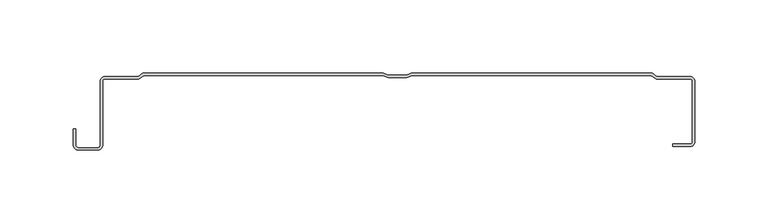
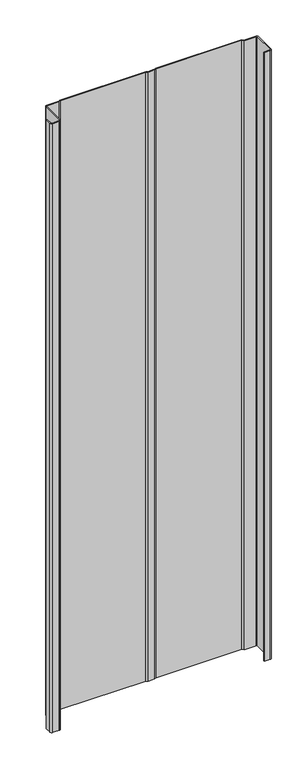
"""IFC4 building model written with IfcOpenShell, lengths in millimetres: plate geometry."""

import ifcopenshell
import ifcopenshell.guid

model = None  # the IFC model being written
_history = None  # IfcOwnerHistory: only IFC2X3 demands one
_inside = {}  # id of a spatial element -> (the spatial element, [elements in it])
_under = {}  # id of a project, library or spatial element -> (it, [spatial elements below it])
_declared = {}  # id of a project -> (the project, [libraries it declares])
_typed = {}  # id of a type object -> (the type object, [elements of that type])
_made_of = {}  # id of a material, layer set ... -> (it, [elements and type objects made of it])


def new_model(schema):
    """Start an empty IFC model of exactly this schema.

    Asked for "IFC4X3", IfcOpenShell would pick the latest addendum, in which some entities
    have other attributes; the version numbers below select the first issue.
    IFC2X3 requires an IfcOwnerHistory on every rooted entity: one is made here for all.
    """
    global model, _history
    if schema == "IFC4X3":
        model = ifcopenshell.file(schema_version=(4, 3, 0, 0))
    else:
        model = ifcopenshell.file(schema=schema)
    _inside.clear()
    _under.clear()
    _declared.clear()
    _typed.clear()
    _made_of.clear()
    _history = None
    if model.schema == "IFC2X3":
        org = make("IfcOrganization", Name="unknown")
        user = make(
            "IfcPersonAndOrganization",
            ThePerson=make("IfcPerson", FamilyName="unknown"),
            TheOrganization=org,
        )
        app = make(
            "IfcApplication",
            ApplicationDeveloper=org,
            Version="unknown",
            ApplicationFullName="unknown",
            ApplicationIdentifier="unknown",
        )
        _history = make(
            "IfcOwnerHistory",
            OwningUser=user,
            OwningApplication=app,
            ChangeAction="ADDED",
            CreationDate=0,
        )
    return model


def make(cls, **values):
    """One entity of the class cls with the attributes given. An attribute that is None is left unset."""
    return model.create_entity(
        cls, **{name: value for name, value in values.items() if value is not None}
    )


def rooted(cls, **values):
    """An entity with a GlobalId (a new one), such as an element, a storey or a relation."""
    return make(cls, GlobalId=ifcopenshell.guid.new(), OwnerHistory=_history, **values)


def si_unit(unit_type, name, prefix=None):
    """IfcSIUnit, for example si_unit("LENGTHUNIT", "METRE", prefix="MILLI")."""
    return make("IfcSIUnit", UnitType=unit_type, Prefix=prefix, Name=name)


def assignment(units):
    """IfcUnitAssignment: the units of a project."""
    return None if units is None else make("IfcUnitAssignment", Units=units)


def point(xyz):
    """IfcCartesianPoint."""
    return None if xyz is None else make("IfcCartesianPoint", Coordinates=xyz)


def direction(xyz):
    """IfcDirection."""
    return None if xyz is None else make("IfcDirection", DirectionRatios=xyz)


def frame(location, z_axis=None, x_axis=None):
    """IfcAxis2Placement3D, a coordinate frame: its origin and axes. An axis left out is left unset."""
    return make(
        "IfcAxis2Placement3D",
        Location=point(location),
        Axis=direction(z_axis),
        RefDirection=direction(x_axis),
    )


def frame_2d(location, x_axis=None):
    """IfcAxis2Placement2D, a coordinate frame in the plane: its origin and x axis."""
    return make(
        "IfcAxis2Placement2D", Location=point(location), RefDirection=direction(x_axis)
    )


def origin():
    """The frame at (0, 0, 0) with its axes left unset."""
    return frame((0.0, 0.0, 0.0))


def origin_with_axes():
    """The frame at (0, 0, 0) with the z axis (0, 0, 1) and the x axis (1, 0, 0) written out."""
    return frame((0.0, 0.0, 0.0), z_axis=(0.0, 0.0, 1.0), x_axis=(1.0, 0.0, 0.0))


def place(relative_to, where):
    """IfcLocalPlacement: puts the frame where relative to a parent placement (None: the world)."""
    return make(
        "IfcLocalPlacement", PlacementRelTo=relative_to, RelativePlacement=where
    )


def context(
    kind, dimensions, precision=None, world=None, true_north=None, identifier=None
):
    """IfcGeometricRepresentationContext, for example the 3D "Model" context."""
    return make(
        "IfcGeometricRepresentationContext",
        ContextIdentifier=identifier,
        ContextType=kind,
        CoordinateSpaceDimension=dimensions,
        Precision=precision,
        WorldCoordinateSystem=world,
        TrueNorth=true_north,
    )


def project(units=None, contexts=None):
    """IfcProject with its units and contexts."""
    return rooted(
        "IfcProject",
        Name="project",
        RepresentationContexts=contexts,
        UnitsInContext=assignment(units),
    )


def spatial(cls, under=None, at=None, **own):
    """A site, building, storey or space (cls), placed at a placement, below another one or the project."""
    s = rooted(cls, ObjectPlacement=at, **own)
    if under is not None:
        _under.setdefault(under.id(), (under, []))[1].append(s)
    return s


def polyline(points):
    """IfcPolyline through the points."""
    return make("IfcPolyline", Points=[point(p) for p in points])


def circle_curve(where, radius):
    """IfcCircle in the frame where."""
    return make("IfcCircle", Position=where, Radius=radius)


def trimmed(basis, trim1, trim2, sense, master):
    """IfcTrimmedCurve: the piece of a basis curve between two trims."""
    return make(
        "IfcTrimmedCurve",
        BasisCurve=basis,
        Trim1=trim1,
        Trim2=trim2,
        SenseAgreement=sense,
        MasterRepresentation=master,
    )


def segment(curve, same_sense, transition):
    """IfcCompositeCurveSegment."""
    return make(
        "IfcCompositeCurveSegment",
        Transition=transition,
        SameSense=same_sense,
        ParentCurve=curve,
    )


def composite_curve(segments, self_intersect=None):
    """IfcCompositeCurve: segments joined end to end."""
    return make("IfcCompositeCurve", Segments=segments, SelfIntersect=self_intersect)


def outline(outer, holes=None, kind="AREA"):
    """IfcArbitraryClosedProfileDef: a profile drawn as a closed curve; with holes, ...WithVoids."""
    if holes is None:
        return make("IfcArbitraryClosedProfileDef", ProfileType=kind, OuterCurve=outer)
    return make(
        "IfcArbitraryProfileDefWithVoids",
        ProfileType=kind,
        OuterCurve=outer,
        InnerCurves=holes,
    )


def extrude(swept, where, along, depth):
    """IfcExtrudedAreaSolid: the profile swept, set in the frame where, extruded along a direction by depth."""
    return make(
        "IfcExtrudedAreaSolid",
        SweptArea=swept,
        Position=where,
        ExtrudedDirection=direction(along),
        Depth=depth,
    )


def shape(context_of_items, identifier, shape_type, items):
    """IfcShapeRepresentation: the items that make up one representation, for example the "Body"."""
    return make(
        "IfcShapeRepresentation",
        ContextOfItems=context_of_items,
        RepresentationIdentifier=identifier,
        RepresentationType=shape_type,
        Items=items,
    )


def source(mapping_origin, context_of_items, identifier, shape_type, items):
    """IfcRepresentationMap: a shape defined once, which mapped items show again and again."""
    return make(
        "IfcRepresentationMap",
        MappingOrigin=mapping_origin,
        MappedRepresentation=shape(context_of_items, identifier, shape_type, items),
    )


def transform(
    local_origin,
    x_axis=None,
    y_axis=None,
    z_axis=None,
    scale=None,
    scale2=None,
    scale3=None,
    uniform=True,
):
    """IfcCartesianTransformationOperator3D, or its non-uniform kind. x_axis, y_axis, z_axis: its Axis1, 2, 3."""
    if uniform:
        return make(
            "IfcCartesianTransformationOperator3D",
            Axis1=direction(x_axis),
            Axis2=direction(y_axis),
            LocalOrigin=point(local_origin),
            Scale=scale,
            Axis3=direction(z_axis),
        )
    return make(
        "IfcCartesianTransformationOperator3DnonUniform",
        Axis1=direction(x_axis),
        Axis2=direction(y_axis),
        LocalOrigin=point(local_origin),
        Scale=scale,
        Axis3=direction(z_axis),
        Scale2=scale2,
        Scale3=scale3,
    )


def mapped(mapping_source, mapping_target):
    """IfcMappedItem: shows the shape of a source again, moved by a transform."""
    return make(
        "IfcMappedItem", MappingSource=mapping_source, MappingTarget=mapping_target
    )


def made_of(thing, what):
    """Note that an element or type object is made of a material, layer set ...; save() writes the relation."""
    if what is not None:
        _made_of.setdefault(what.id(), (what, []))[1].append(thing)
    return thing


def element(
    cls,
    number,
    at=None,
    inside=None,
    cuts=None,
    type_object=None,
    material=None,
    context=None,
    identifier="Body",
    shape_type=None,
    held_by="IfcProductDefinitionShape",
    body=None,
    shapes=None,
    **own,
):
    """One element of the class cls, such as IfcWall. Its Tag is "e" and its number.

    at: its placement. inside: the storey or other place that contains it. cuts: it is an
    opening in that element (IfcRelVoidsElement). A single representation is given by context,
    identifier, shape_type and body (its items); several are given by shapes. held_by: the class
    of the entity that holds the representations. save() writes the other relations.
    """
    e = rooted(cls, Tag="e%d" % number, ObjectPlacement=at, **own)
    if body is not None:
        shapes = [shape(context, identifier, shape_type, body)]
    if shapes is not None:
        e.Representation = make(held_by, Representations=shapes)
    if inside is not None:
        _inside.setdefault(inside.id(), (inside, []))[1].append(e)
    if cuts is not None:
        rooted(
            "IfcRelVoidsElement", RelatingBuildingElement=cuts, RelatedOpeningElement=e
        )
    if type_object is not None:
        _typed.setdefault(type_object.id(), (type_object, []))[1].append(e)
    return made_of(e, material)


def aggregate(whole, parts):
    """IfcRelAggregates: a whole, such as a stair, and the parts it consists of."""
    return rooted("IfcRelAggregates", RelatingObject=whole, RelatedObjects=parts)


def save(model, path):
    """Write the relations noted so far, then the file.

    IfcRelAggregates (storeys below a building ...), IfcRelContainedInSpatialStructure (elements
    in a storey), IfcRelDefinesByType, IfcRelAssociatesMaterial and IfcRelDeclares: one each for
    every whole, place, type object, material and project.
    """
    for whole, parts in _under.values():
        aggregate(whole, parts)
    for where, things in _inside.values():
        rooted(
            "IfcRelContainedInSpatialStructure",
            RelatedElements=things,
            RelatingStructure=where,
        )
    for kind, things in _typed.values():
        rooted("IfcRelDefinesByType", RelatedObjects=things, RelatingType=kind)
    for what, things in _made_of.values():
        rooted("IfcRelAssociatesMaterial", RelatedObjects=things, RelatingMaterial=what)
    for by, libraries in _declared.values():
        rooted("IfcRelDeclares", RelatingContext=by, RelatedDefinitions=libraries)
    model.write(path)


def plate_9c85114b(model_context):
    return source(origin(), model_context, "Body", "SweptSolid", [
        extrude(outline(composite_curve([segment(polyline([(201.3822657, -47.2180172), (201.3822657, -5.1405575)]), True, "CONTINUOUS"), segment(trimmed(circle_curve(frame_2d((200.2262298, -5.1405575)), 1.1560358), [point((201.3822657, -5.1405575))], [point((200.2262298, -3.9845217))], True, "CARTESIAN"), True, "CONTINUOUS"), segment(polyline([(200.2262298, -3.9845217), (176.7421826, -3.9845217), (173.560222, -1.5980513), (10.6168828, -1.5980513), (6.9526278, -3.0637533), (-5.832625, -3.0637533), (-9.49688, -1.5980513), (-172.4402192, -1.5980513), (-175.6221797, -3.9845217), (-199.106227, -3.9845217)]), True, "CONTINUOUS"), segment(trimmed(circle_curve(frame_2d((-199.106227, -5.126492)), 1.1419703), [point((-199.106227, -3.9845217))], [point((-200.2481973, -5.126492))], True, "CARTESIAN"), True, "CONTINUOUS"), segment(polyline([(-200.2481973, -5.126492), (-200.2481973, -48.8784494)]), True, "CONTINUOUS"), segment(trimmed(circle_curve(frame_2d((-203.8791678, -48.8784494)), 3.6309705), [point((-200.2481973, -48.8784494))], [point((-203.8791678, -52.5094199))], False, "CARTESIAN"), True, "CONTINUOUS"), segment(polyline([(-203.8791678, -52.5094199), (-216.60701, -52.5094199)]), True, "CONTINUOUS"), segment(trimmed(circle_curve(frame_2d((-216.60701, -48.8784494)), 3.6309705), [point((-216.60701, -52.5094199))], [point((-220.2379805, -48.8784494))], False, "CARTESIAN"), True, "CONTINUOUS"), segment(polyline([(-220.2379805, -48.8784494), (-220.2379805, -38.1835265), (-218.6399292, -38.1835265), (-218.6399292, -48.8784494)]), True, "CONTINUOUS"), segment(trimmed(circle_curve(frame_2d((-216.60701, -48.8784494)), 2.0329192), [point((-218.6399292, -48.8784494))], [point((-216.60701, -50.9113686))], True, "CARTESIAN"), True, "CONTINUOUS"), segment(polyline([(-216.60701, -50.9113686), (-203.8791678, -50.9113686)]), True, "CONTINUOUS"), segment(trimmed(circle_curve(frame_2d((-203.8791678, -48.8784494)), 2.0329192), [point((-203.8791678, -50.9113686))], [point((-201.8462486, -48.8784494))], True, "CARTESIAN"), True, "CONTINUOUS"), segment(polyline([(-201.8462486, -48.8784494), (-201.8462486, -5.126492)]), True, "CONTINUOUS"), segment(trimmed(circle_curve(frame_2d((-199.106227, -5.126492)), 2.7400216), [point((-201.8462486, -5.126492))], [point((-199.106227, -2.3864704))], False, "CARTESIAN"), True, "CONTINUOUS"), segment(polyline([(-199.106227, -2.3864704), (-176.1548635, -2.3864704), (-172.972903, 0.0), (-8.9729283, 0.0), (-5.600684, -1.3488977), (6.7206868, -1.3488977), (10.0929311, 0.0), (174.0929058, 0.0), (177.2748663, -2.3864704), (200.2262298, -2.3864704)]), True, "CONTINUOUS"), segment(trimmed(circle_curve(frame_2d((200.2595098, -5.1267585)), 2.7404902), [point((200.2262298, -2.3864704))], [point((203.0, -5.1267585))], False, "CARTESIAN"), True, "CONTINUOUS"), segment(polyline([(203.0, -5.1267585), (203.0, -47.2180172)]), True, "CONTINUOUS"), segment(trimmed(circle_curve(frame_2d((200.2262298, -47.2180172)), 2.7737702), [point((203.0, -47.2180172))], [point((200.2262298, -49.9917874))], False, "CARTESIAN"), True, "CONTINUOUS"), segment(polyline([(200.2262298, -49.9917874), (188.1469081, -49.9917874), (188.1469081, -48.374053), (200.2262298, -48.374053)]), True, "CONTINUOUS"), segment(trimmed(circle_curve(frame_2d((200.2262298, -47.2180172)), 1.1560358), [point((200.2262298, -48.374053))], [point((201.3822657, -47.2180172))], True, "CARTESIAN"), True, "CONTINUOUS")], self_intersect=False)), origin_with_axes(), (0.0, 0.0, 1.0), 1228.3559792),
    ])


if __name__ == "__main__":
    model = new_model("IFC4")
    model_context = context("Model", 3, world=origin())
    ifc_project = project(units=[si_unit("LENGTHUNIT", "METRE", prefix="MILLI")], contexts=[model_context])
    site = spatial("IfcSite", under=ifc_project)
    building = spatial("IfcBuilding", under=site)
    placement = place(None, origin())
    plate_shape = plate_9c85114b(model_context)
    element("IfcPlate", 1, at=placement, inside=building, context=model_context, shape_type="MappedRepresentation", body=[
        mapped(plate_shape, transform((0.0, 0.0, 0.0), x_axis=(1.0, 0.0, 0.0), y_axis=(0.0, 1.0, 0.0), z_axis=(0.0, 0.0, 1.0))),
    ])
    save(model, "model.ifc")
